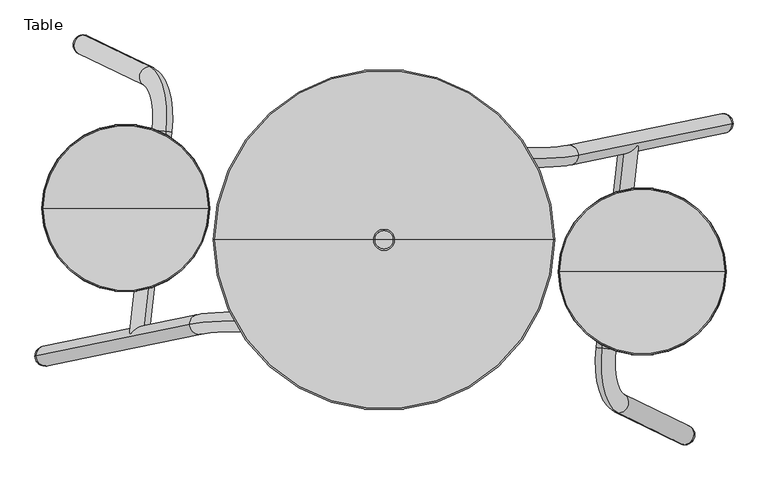
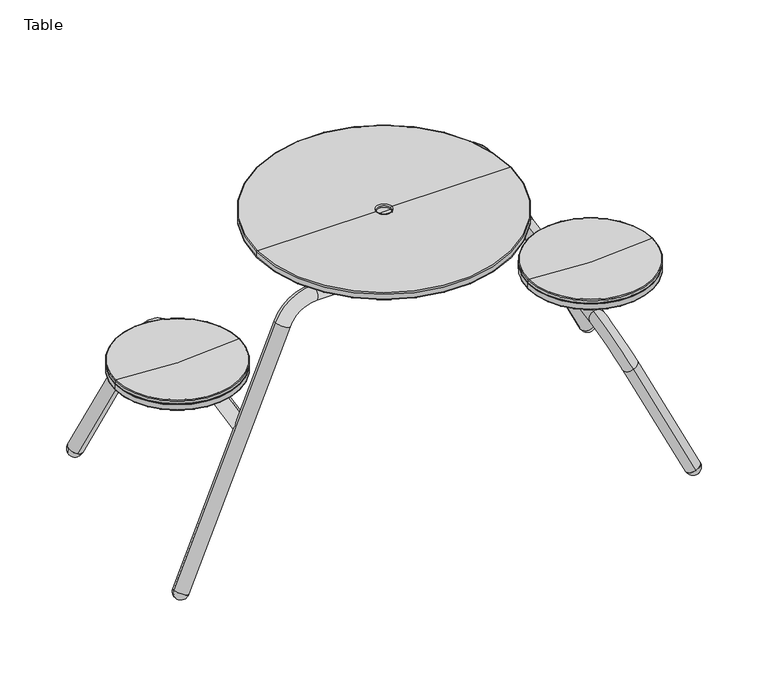
"""IFC4 building model written with IfcOpenShell, lengths in millimetres: furniture geometry, Table."""

from ifc_helpers import new_model, si_unit, point, frame, origin, place, context, project, spatial, polyline, circle_curve, ellipse_curve, trimmed, source, transform, mapped, element, save
from ifc_brep_helpers import plane_surface, cylinder_surface, revolved_surface, advanced_brep


def table_cf706c01(model_context):
    return source(origin(), model_context, "Body", "AdvancedBrep", [
        advanced_brep(
        [(-1066.5718166, 105.0441938, 1.876984), (-1039.4942604, 106.0020003, 10.9080922), (-1075.6535735, 107.8999253, 28.8035295), (-1057.5739169, 106.9509628, 19.8558108)],
        [
            (0, 1, circle_curve(frame((-1057.5739169, 106.9509628, 19.8558108), z_axis=(0.0, -0.9944230273127505, 0.105464888707783), x_axis=(-0.8952561253993916, 0.046990078510258285, 0.44306704058919644)), 20.1949543)),
            (1, 2, circle_curve(frame((-1057.5739169, 106.9509628, 19.8558108), z_axis=(-0.4455518712056628, -0.09441808763020273, -0.8902633064399477), x_axis=(0.8952561253993924, -0.04699007851025788, -0.4430670405891949)), 20.1949543)),
            (2, 0, circle_curve(frame((-1057.5739169, 106.9509628, 19.8558108), z_axis=(0.0, -0.9944230273127508, 0.10546488870777918), x_axis=(0.8952561253993931, -0.04699007851025474, -0.44306704058919366)), 20.1949543)),
            (2, 1, circle_curve(frame((-1057.5739169, 106.9509628, 19.8558108), z_axis=(-0.4455518712056628, -0.09441808763020273, -0.8902633064399477), x_axis=(0.8952561253993924, -0.04699007851025788, -0.4430670405891949)), 20.1949543)),
            (1, 3),
            (3, 2),
        ],
        [
            revolved_surface(trimmed(ellipse_curve(frame((-1057.5739169, 106.9509628, 19.8558108), z_axis=(0.0, 0.9944230273127505, -0.105464888707783), x_axis=(-0.8952561253993916, 0.046990078510258285, 0.44306704058919644)), 20.1949543, 20.1949543), [point((-1039.4942604, 106.0020003, 10.9080922))], [point((-1066.5718166, 105.0441938, 1.876984))], True, "CARTESIAN"), (-1072.1944618, 103.8526841, -9.3577005), (-0.4455518712056627, -0.09441808763020271, -0.8902633064399474)),
            revolved_surface(trimmed(ellipse_curve(frame((-1057.5739169, 106.9509628, 19.8558108), z_axis=(0.0, 0.9944230273127505, -0.1054648887077833), x_axis=(-0.8952561253993916, 0.04699007851025829, 0.44306704058919644)), 20.1949543, 20.1949543), [point((-1039.4942604, 106.0020003, 10.9080922))], [point((-1066.5718166, 105.0441938, 1.876984))], True, "CARTESIAN"), (-1072.1944618, 103.8526841, -9.3577005), (-0.4455518712056627, -0.09441808763020271, -0.8902633064399474)),
            plane_surface(frame((-1057.5739169, 106.9509628, 19.8558108), z_axis=(0.44555187120566275, 0.0944180876302024, 0.8902633064399477), x_axis=(0.8952561253993924, -0.04699007851025788, -0.4430670405891949))),
        ],
        [
            (0, [[1, 2, 3]]),
            (1, [[-3, 4, -1]]),
            (2, [[-2, 5, 6]]),
            (2, [[-4, -6, -5]]),
        ],
    ),
        advanced_brep(
        [(-997.6950419, 744.2561055, 27.6979461), (-960.6642225, 748.0142161, 12.0154801), (-987.2398472, 749.9107834, 1.7290054), (-979.1796322, 746.1351608, 19.8567131)],
        [
            (0, 1, circle_curve(frame((-979.1796322, 746.1351608, 19.8567131), z_axis=(-0.3991202398469257, 0.18695871079278711, -0.8976354909445324), x_axis=(0.9168334533187882, 0.09304577882084127, -0.3882768367018159)), 20.1949543)),
            (1, 2, circle_curve(frame((-979.1796322, 746.1351608, 19.8567131), z_axis=(-0.010929456531689146, 0.9779513911756158, 0.2085464540038981), x_axis=(-0.9168334533187883, -0.09304577882084131, 0.3882768367018157)), 20.1949543)),
            (2, 0, circle_curve(frame((-979.1796322, 746.1351608, 19.8567131), z_axis=(-0.010929456531686492, 0.9779513911756164, 0.20854645400389613), x_axis=(0.9168334533187881, 0.09304577882083823, -0.3882768367018168)), 20.1949543)),
            (1, 0, circle_curve(frame((-979.1796322, 746.1351608, 19.8567131), z_axis=(-0.3991202398469257, 0.18695871079278711, -0.8976354909445324), x_axis=(0.9168334533187882, 0.09304577882084127, -0.3882768367018159)), 20.1949543)),
            (3, 1),
            (0, 3),
        ],
        [
            revolved_surface(trimmed(ellipse_curve(frame((-979.1796322, 746.1351608, 19.8567131), z_axis=(0.010929456531689146, -0.9779513911756158, -0.2085464540038981), x_axis=(-0.9168334533187883, -0.09304577882084131, 0.3882768367018157)), 20.1949543, 20.1949543), [point((-987.2398472, 749.9107834, 1.7290054))], [point((-960.6642225, 748.0142161, 12.0154801))], True, "CARTESIAN"), (-992.2765481, 752.2701103, -9.5987125), (0.3991202398469256, -0.1869587107927871, 0.8976354909445322)),
            revolved_surface(trimmed(ellipse_curve(frame((-979.1796322, 746.1351608, 19.8567131), z_axis=(0.010929456531689112, -0.9779513911756158, -0.20854645400389815), x_axis=(-0.9168334533187883, -0.09304577882084131, 0.3882768367018157)), 20.1949543, 20.1949543), [point((-987.2398472, 749.9107834, 1.7290054))], [point((-960.6642225, 748.0142161, 12.0154801))], True, "CARTESIAN"), (-992.2765481, 752.2701103, -9.5987125), (0.3991202398469256, -0.1869587107927871, 0.8976354909445322)),
            plane_surface(frame((-979.1796322, 746.1351608, 19.8567131), z_axis=(0.39912023984692563, -0.186958710792787, 0.8976354909445323), x_axis=(0.9168334533187882, 0.09304577882084127, -0.3882768367018159))),
        ],
        [
            (0, [[1, 2, 3]]),
            (1, [[4, -3, -2]]),
            (2, [[5, -1, 6]]),
            (2, [[-6, -4, -5]]),
        ],
    ),
        advanced_brep(
        [(-1063.378171, 410.8794098, 439.8157959), (-719.1072969, 410.8794098, 439.8157959), (-719.1072969, 410.8794098, 425.7839326), (-1063.378171, 410.8794098, 425.7839326), (-721.7088565, 410.8794098, 423.182373), (-1060.7766115, 410.8794098, 423.182373), (-891.242734, 410.8794098, 423.182373), (-891.242734, 410.8794098, 442.3648923), (-722.1509836, 410.8794098, 451.8896459), (-1060.3344843, 410.8794098, 451.8896459), (-719.912961, 410.8794098, 449.8903091), (-1062.5725069, 410.8794098, 449.8903091), (-719.912961, 410.8794098, 442.6999095), (-1062.5725069, 410.8794098, 442.6999095), (-719.6670101, 410.8794098, 441.8194553), (-1062.8184578, 410.8794098, 441.8194553)],
        [
            (0, 1, circle_curve(frame((-891.242734, 410.8794098, 439.8157959), z_axis=(0.0, 0.0, -1.0), x_axis=(1.0, 0.0, 0.0)), 172.135437)),
            (1, 2),
            (2, 3, circle_curve(frame((-891.242734, 410.8794098, 425.7839326), z_axis=(0.0, 0.0, 1.0), x_axis=(1.0, 0.0, 0.0)), 172.135437)),
            (3, 0),
            (1, 0, circle_curve(frame((-891.242734, 410.8794098, 439.8157959), z_axis=(0.0, 0.0, -1.0), x_axis=(1.0, 0.0, 0.0)), 172.135437)),
            (3, 2, circle_curve(frame((-891.242734, 410.8794098, 425.7839326), z_axis=(0.0, 0.0, 1.0), x_axis=(1.0, 0.0, 0.0)), 172.135437)),
            (2, 4, circle_curve(frame((-721.7088565, 410.8794098, 425.7839326), z_axis=(0.0, 1.0, 0.0), x_axis=(1.0, 0.0, 0.0)), 2.6015595)),
            (4, 5, circle_curve(frame((-891.242734, 410.8794098, 423.182373), z_axis=(0.0, 0.0, 1.0), x_axis=(1.0, 0.0, 0.0)), 169.5338775)),
            (5, 3, circle_curve(frame((-1060.7766115, 410.8794098, 425.7839326), z_axis=(0.0, 1.0, 0.0), x_axis=(-1.0, 0.0, 0.0)), 2.6015595)),
            (5, 4, circle_curve(frame((-891.242734, 410.8794098, 423.182373), z_axis=(0.0, 0.0, 1.0), x_axis=(1.0, 0.0, 0.0)), 169.5338775)),
            (4, 6),
            (6, 5),
            (7, 8, circle_curve(frame((-891.242734, 410.8794098, 1948.0595431), z_axis=(0.0, -1.0, 0.0), x_axis=(1.0, 0.0, 0.0)), 1505.6946508)),
            (8, 9, circle_curve(frame((-891.242734, 410.8794098, 451.8896459), z_axis=(0.0, 0.0, 1.0), x_axis=(1.0, 0.0, 0.0)), 169.0917504)),
            (9, 7, circle_curve(frame((-891.242734, 410.8794098, 1948.0595431), z_axis=(0.0, -1.0, 0.0), x_axis=(-1.0, 0.0, 0.0)), 1505.6946508)),
            (9, 8, circle_curve(frame((-891.242734, 410.8794098, 451.8896459), z_axis=(0.0, 0.0, 1.0), x_axis=(1.0, 0.0, 0.0)), 169.0917504)),
            (8, 10, circle_curve(frame((-721.9250257, 410.8794098, 449.8903091), z_axis=(0.0, 1.0, 0.0), x_axis=(1.0, 0.0, 0.0)), 2.0120647)),
            (10, 11, circle_curve(frame((-891.242734, 410.8794098, 449.8903091), z_axis=(0.0, 0.0, 1.0), x_axis=(1.0, 0.0, 0.0)), 171.3297729)),
            (11, 9, circle_curve(frame((-1060.5604422, 410.8794098, 449.8903091), z_axis=(0.0, 1.0, 0.0), x_axis=(-1.0, 0.0, 0.0)), 2.0120647)),
            (11, 10, circle_curve(frame((-891.242734, 410.8794098, 449.8903091), z_axis=(0.0, 0.0, 1.0), x_axis=(1.0, 0.0, 0.0)), 171.3297729)),
            (10, 12),
            (12, 13, circle_curve(frame((-891.242734, 410.8794098, 442.6999095), z_axis=(0.0, 0.0, 1.0), x_axis=(1.0, 0.0, 0.0)), 171.3297729)),
            (13, 11),
            (13, 12, circle_curve(frame((-891.242734, 410.8794098, 442.6999095), z_axis=(0.0, 0.0, 1.0), x_axis=(1.0, 0.0, 0.0)), 171.3297729)),
            (12, 14, circle_curve(frame((-718.2140619, 410.8794098, 442.6999095), z_axis=(0.0, -1.0, 0.0), x_axis=(1.0, 0.0, 0.0)), 1.6988991)),
            (14, 15, circle_curve(frame((-891.242734, 410.8794098, 441.8194553), z_axis=(0.0, 0.0, 1.0), x_axis=(1.0, 0.0, 0.0)), 171.5757238)),
            (15, 13, circle_curve(frame((-1064.271406, 410.8794098, 442.6999095), z_axis=(0.0, -1.0, 0.0), x_axis=(-1.0, 0.0, 0.0)), 1.6988991)),
            (15, 14, circle_curve(frame((-891.242734, 410.8794098, 441.8194553), z_axis=(0.0, 0.0, 1.0), x_axis=(1.0, 0.0, 0.0)), 171.5757238)),
            (14, 1, circle_curve(frame((-722.9735003, 410.8794098, 439.8157959), z_axis=(0.0, 1.0, 0.0), x_axis=(1.0, 0.0, 0.0)), 3.8662034)),
            (0, 15, circle_curve(frame((-1059.5119676, 410.8794098, 439.8157959), z_axis=(0.0, 1.0, 0.0), x_axis=(-1.0, 0.0, 0.0)), 3.8662034)),
        ],
        [
            cylinder_surface(frame((-891.242734, 410.8794098, 412.0413978), z_axis=(0.0, 0.0, 1.0), x_axis=(1.0, 0.0, 0.0)), 172.135437),
            revolved_surface(trimmed(ellipse_curve(frame((-721.7088565, 410.8794098, 425.7839326), z_axis=(0.0, -1.0, 0.0), x_axis=(1.0, 0.0, 0.0)), 2.6015595, 2.6015595), [point((-721.7088565, 410.8794098, 423.182373))], [point((-719.1072969, 410.8794098, 425.7839326))], True, "CARTESIAN"), (-891.242734, 410.8794098, 412.0413978), (0.0, 0.0, 1.0)),
            plane_surface(frame((-891.242734, 410.8794098, 423.182373), z_axis=(0.0, 0.0, -1.0), x_axis=(1.0, 0.0, 0.0))),
            revolved_surface(trimmed(ellipse_curve(frame((-891.242734, 410.8794098, 1948.0595431), z_axis=(0.0, 1.0, 0.0), x_axis=(1.0, 0.0, 0.0)), 1505.6946508, 1505.6946508), [point((-722.1509836, 410.8794098, 451.8896459))], [point((-891.242734, 410.8794098, 442.3648923))], True, "CARTESIAN"), (-891.242734, 410.8794098, 412.0413978), (0.0, 0.0, 1.0)),
            revolved_surface(trimmed(ellipse_curve(frame((-721.9250257, 410.8794098, 449.8903091), z_axis=(0.0, -1.0, 0.0), x_axis=(1.0, 0.0, 0.0)), 2.0120647, 2.0120647), [point((-719.912961, 410.8794098, 449.8903091))], [point((-722.1509836, 410.8794098, 451.8896459))], True, "CARTESIAN"), (-891.242734, 410.8794098, 412.0413978), (0.0, 0.0, 1.0)),
            cylinder_surface(frame((-891.242734, 410.8794098, 412.0413978), z_axis=(0.0, 0.0, 1.0), x_axis=(1.0, 0.0, 0.0)), 171.3297729),
            revolved_surface(trimmed(ellipse_curve(frame((-718.2140619, 410.8794098, 442.6999095), z_axis=(0.0, 1.0, 0.0), x_axis=(1.0, 0.0, 0.0)), 1.6988991, 1.6988991), [point((-719.6670101, 410.8794098, 441.8194553))], [point((-719.912961, 410.8794098, 442.6999095))], True, "CARTESIAN"), (-891.242734, 410.8794098, 412.0413978), (0.0, 0.0, 1.0)),
            revolved_surface(trimmed(ellipse_curve(frame((-722.9735003, 410.8794098, 439.8157959), z_axis=(0.0, -1.0, 0.0), x_axis=(1.0, 0.0, 0.0)), 3.8662034, 3.8662034), [point((-719.1072969, 410.8794098, 439.8157959))], [point((-719.6670101, 410.8794098, 441.8194553))], True, "CARTESIAN"), (-891.242734, 410.8794098, 412.0413978), (0.0, 0.0, 1.0)),
        ],
        [
            (0, [[1, 2, 3, 4]]),
            (0, [[5, -4, 6, -2]]),
            (1, [[-3, 7, 8, 9]]),
            (1, [[-6, -9, 10, -7]]),
            (2, [[-8, 11, 12]]),
            (2, [[-10, -12, -11]]),
            (3, [[13, 14, 15]]),
            (3, [[-15, 16, -13]]),
            (4, [[-14, 17, 18, 19]]),
            (4, [[-16, -19, 20, -17]]),
            (5, [[-18, 21, 22, 23]]),
            (5, [[-20, -23, 24, -21]]),
            (6, [[-22, 25, 26, 27]]),
            (6, [[-24, -27, 28, -25]]),
            (7, [[-26, 29, -1, 30]]),
            (7, [[-28, -30, -5, -29]]),
        ],
    ),
        advanced_brep(
        [(-872.5750862, 147.558632, 384.7968299), (-855.4750322, 145.4689563, 421.604859), (-825.4687613, 569.9222184, 386.8909989), (-808.3687073, 567.8325427, 423.699028), (-840.8302674, 700.938873, 323.8712634), (-847.7463025, 661.2697, 318.3817487), (-982.5443542, 726.4876022, 16.9211893), (-975.6283191, 766.1567752, 22.410704)],
        [
            (0, 1, circle_curve(frame((-864.0250592, 146.5137942, 403.2008445), z_axis=(-0.11084166693181488, -0.9938258618178737, -0.004927601215348603), x_axis=(0.42076904463546744, -0.05141918609532065, 0.9057093785414011)), 20.32)),
            (1, 0, circle_curve(frame((-864.0250592, 146.5137942, 403.2008445), z_axis=(-0.11084166693181488, -0.9938258618178737, -0.004927601215348603), x_axis=(0.42076904463546744, -0.05141918609532065, 0.9057093785414011)), 20.32)),
            (0, 2),
            (2, 3, circle_curve(frame((-816.9187343, 568.8773805, 405.2950135), z_axis=(-0.11084166693181488, -0.9938258618178737, -0.004927601215348603), x_axis=(0.42076904463546744, -0.05141918609532065, 0.9057093785414011)), 20.32)),
            (3, 1),
            (3, 2, circle_curve(frame((-816.9187343, 568.8773805, 405.2950135), z_axis=(-0.11084166693181488, -0.9938258618178737, -0.004927601215348603), x_axis=(0.42076904463546744, -0.05141918609532065, 0.9057093785414011)), 20.32)),
            (4, 3, circle_curve(frame((-862.8751293, 574.493384, 306.3734351), z_axis=(0.9003707769293342, -0.0983169552175802, -0.42387054671020913), x_axis=(0.42076904463546655, -0.051419186095327515, 0.905709378541401)), 129.54)),
            (2, 5, circle_curve(frame((-862.8751293, 574.493384, 306.3734351), z_axis=(-0.9003707769293342, 0.0983169552175802, 0.42387054671020913), x_axis=(0.42076904463546655, -0.051419186095327515, 0.905709378541401)), 88.9)),
            (5, 4, circle_curve(frame((-844.2882849, 681.1042865, 321.126506), z_axis=(0.4004646079752769, -0.19375251601830237, 0.8955936915229947), x_axis=(0.1701780297537703, 0.9761115401701396, 0.1350766424508809)), 20.32)),
            (4, 5, circle_curve(frame((-844.2882849, 681.1042865, 321.126506), z_axis=(0.4004646079752765, -0.19375251601830457, 0.8955936915229944), x_axis=(0.1701780297537712, 0.9761115401701391, 0.13507664245088288)), 20.32)),
            (6, 7, circle_curve(frame((-979.0863366, 746.3221887, 19.6659466), z_axis=(-0.40046460797527617, 0.19375251601830187, -0.8955936915229954), x_axis=(0.17017802975377005, 0.9761115401701397, 0.13507664245088058)), 20.32)),
            (7, 6, circle_curve(frame((-979.0863366, 746.3221887, 19.6659466), z_axis=(-0.40046460797527617, 0.19375251601830187, -0.8955936915229954), x_axis=(0.17017802975377005, 0.9761115401701397, 0.13507664245088058)), 20.32)),
            (5, 6),
            (7, 4),
        ],
        [
            plane_surface(frame((-872.5750862, 147.558632, 384.7968299), z_axis=(-0.11084166693181488, -0.9938258618178738, -0.004927601215348604), x_axis=(0.9003707769293343, -0.09831695521758023, -0.42387054671020896))),
            cylinder_surface(frame((-864.0250592, 146.5137942, 403.2008445), z_axis=(-0.11084166693181491, -0.9938258618178739, -0.004927601215348604), x_axis=(0.42076904463546744, -0.05141918609532065, 0.9057093785414011)), 20.32),
            revolved_surface(trimmed(ellipse_curve(frame((-816.9187343, 568.8773805, 405.2950135), z_axis=(-0.11084166693181785, -0.9938258618178732, -0.004927601215354833), x_axis=(0.4207690446354668, -0.051419186095327536, 0.9057093785414009)), 20.32, 20.32), [point((-825.4687613, 569.9222184, 386.8909989))], [point((-808.3687073, 567.8325427, 423.699028))], True, "CARTESIAN"), (-862.8751293, 574.493384, 306.3734351), (-0.9003707769293342, 0.0983169552175802, 0.42387054671020913)),
            revolved_surface(trimmed(ellipse_curve(frame((-816.9187343, 568.8773805, 405.2950135), z_axis=(-0.11084166693181785, -0.9938258618178732, -0.004927601215354833), x_axis=(0.4207690446354668, -0.051419186095327536, 0.9057093785414009)), 20.32, 20.32), [point((-808.3687073, 567.8325427, 423.699028))], [point((-825.4687613, 569.9222184, 386.8909989))], True, "CARTESIAN"), (-862.8751293, 574.493384, 306.3734351), (-0.9003707769293342, 0.0983169552175802, 0.42387054671020913)),
            plane_surface(frame((-982.5443542, 726.4876022, 16.9211893), z_axis=(-0.40046460797527617, 0.1937525160183019, -0.8955936915229954), x_axis=(0.9003707769293345, -0.09831695521758024, -0.42387054671020824))),
            cylinder_surface(frame((-844.2882849, 681.1042865, 321.126506), z_axis=(0.40046460797527617, -0.19375251601830187, 0.8955936915229954), x_axis=(0.17017802975377005, 0.9761115401701397, 0.13507664245088058)), 20.32),
        ],
        [
            (0, [[1, 2]]),
            (1, [[-1, 3, 4, 5]]),
            (1, [[-2, -5, 6, -3]]),
            (2, [[7, -4, 8, 9]]),
            (3, [[-8, -6, -7, 10]]),
            (4, [[11, 12]]),
            (5, [[-9, 13, -12, 14]]),
            (5, [[-10, -14, -11, -13]]),
        ],
    ),
        advanced_brep(
        [(-333.6436739, 175.4512712, 683.5282713), (-333.6436739, 179.6235474, 723.9535321), (-650.8437047, 175.4512712, 683.5282713), (-650.8437047, 179.6235474, 723.9535321), (-759.878108, 172.7073211, 656.9420893), (-723.5333069, 170.8404536, 638.8539761), (-1039.4005098, 106.0259718, 10.8652804), (-1075.7453109, 107.8928393, 28.9533936)],
        [
            (0, 1, circle_curve(frame((-333.6436739, 177.5374093, 703.7409017), z_axis=(1.0, 0.0, 0.0), x_axis=(0.0, 0.10266427821457129, 0.9947160629941999)), 20.32)),
            (1, 0, circle_curve(frame((-333.6436739, 177.5374093, 703.7409017), z_axis=(1.0, 0.0, 0.0), x_axis=(0.0, 0.10266427821457129, 0.9947160629941999)), 20.32)),
            (0, 2),
            (2, 3, circle_curve(frame((-650.8437047, 177.5374093, 703.7409017), z_axis=(1.0, 0.0, 0.0), x_axis=(0.0, 0.10266427821457129, 0.9947160629941999)), 20.32)),
            (3, 1),
            (3, 2, circle_curve(frame((-650.8437047, 177.5374093, 703.7409017), z_axis=(1.0, 0.0, 0.0), x_axis=(0.0, 0.10266427821457129, 0.9947160629941999)), 20.32)),
            (4, 3, circle_curve(frame((-650.8437047, 167.1067186, 602.6777497), z_axis=(0.0, 0.9947160629941999, -0.1026642782145713), x_axis=(0.0, 0.1026642782145713, 0.9947160629941999)), 121.92)),
            (2, 5, circle_curve(frame((-650.8437047, 167.1067186, 602.6777497), z_axis=(0.0, -0.9947160629941999, 0.1026642782145713), x_axis=(0.0, 0.1026642782145713, 0.9947160629941999)), 81.28)),
            (5, 4, circle_curve(frame((-741.7057074, 171.7738874, 647.8980327), z_axis=(0.4474458009533829, 0.0918137985082334, 0.8895855673360912), x_axis=(-0.8943110505910042, 0.045936700195033785, 0.44508152552763397)), 20.32)),
            (4, 5, circle_curve(frame((-741.7057074, 171.7738874, 647.8980327), z_axis=(0.4474458009533829, 0.0918137985082334, 0.8895855673360912), x_axis=(-0.8943110505910042, 0.045936700195033785, 0.44508152552763397)), 20.32)),
            (6, 7, circle_curve(frame((-1057.5729104, 106.9594056, 19.909337), z_axis=(-0.44744580095338377, -0.09181379850823335, -0.8895855673360908), x_axis=(-0.8943110505910038, 0.04593670019503388, 0.44508152552763486)), 20.32)),
            (7, 6, circle_curve(frame((-1057.5729104, 106.9594056, 19.909337), z_axis=(-0.44744580095338377, -0.09181379850823335, -0.8895855673360908), x_axis=(-0.8943110505910038, 0.04593670019503388, 0.44508152552763486)), 20.32)),
            (5, 6),
            (7, 4),
        ],
        [
            plane_surface(frame((-333.6436739, 175.4512712, 683.5282713), z_axis=(1.0, 0.0, 0.0), x_axis=(0.0, 0.9947160629941999, -0.10266427821457128))),
            cylinder_surface(frame((-333.6436739, 177.5374093, 703.7409017), z_axis=(1.0, 0.0, 0.0), x_axis=(0.0, 0.10266427821457129, 0.9947160629941999)), 20.32),
            revolved_surface(trimmed(ellipse_curve(frame((-650.8437047, 177.5374093, 703.7409017), z_axis=(1.0, 0.0, 0.0), x_axis=(0.0, 0.10266427821457129, 0.9947160629941999)), 20.32, 20.32), [point((-650.8437047, 175.4512712, 683.5282713))], [point((-650.8437047, 179.6235474, 723.9535321))], True, "CARTESIAN"), (-650.8437047, 167.1067186, 602.6777497), (0.0, -0.9947160629941999, 0.1026642782145713)),
            revolved_surface(trimmed(ellipse_curve(frame((-650.8437047, 177.5374093, 703.7409017), z_axis=(1.0, 0.0, 0.0), x_axis=(0.0, 0.10266427821457129, 0.9947160629941999)), 20.32, 20.32), [point((-650.8437047, 179.6235474, 723.9535321))], [point((-650.8437047, 175.4512712, 683.5282713))], True, "CARTESIAN"), (-650.8437047, 167.1067186, 602.6777497), (0.0, -0.9947160629941999, 0.1026642782145713)),
            plane_surface(frame((-1039.4005098, 106.0259718, 10.8652804), z_axis=(-0.44744580095338365, -0.09181379850823333, -0.889585567336091), x_axis=(0.0, 0.9947160629941999, -0.10266427821457125))),
            cylinder_surface(frame((-741.7057074, 171.7738874, 647.8980327), z_axis=(0.44744580095338377, 0.09181379850823335, 0.8895855673360908), x_axis=(-0.8943110505910038, 0.04593670019503388, 0.44508152552763486)), 20.32),
        ],
        [
            (0, [[1, 2]]),
            (1, [[-1, 3, 4, 5]]),
            (1, [[-2, -5, 6, -3]]),
            (2, [[7, -4, 8, 9]]),
            (3, [[-8, -6, -7, 10]]),
            (4, [[11, 12]]),
            (5, [[-9, 13, -12, 14]]),
            (5, [[-10, -14, -11, -13]]),
        ],
    ),
        advanced_brep(
        [(344.3040001, 586.5396258, 1.876984), (317.2264438, 585.5818193, 10.9080922), (353.3857569, 583.6838944, 28.8035295), (335.3061004, 584.6328569, 19.8558108)],
        [
            (0, 1, circle_curve(frame((335.3061004, 584.6328569, 19.8558108), z_axis=(0.0, 0.9944230273127505, 0.105464888707783), x_axis=(0.8952561253993921, -0.046990078510252525, 0.4430670405891963)), 20.1949543)),
            (1, 2, circle_curve(frame((335.3061004, 584.6328569, 19.8558108), z_axis=(0.4455518712056622, 0.09441808763020557, -0.8902633064399476), x_axis=(-0.8952561253993928, 0.046990078510252165, -0.443067040589195)), 20.1949543)),
            (2, 0, circle_curve(frame((335.3061004, 584.6328569, 19.8558108), z_axis=(0.0, 0.9944230273127508, 0.10546488870777913), x_axis=(-0.8952561253993935, 0.046990078510249035, -0.443067040589194)), 20.1949543)),
            (2, 1, circle_curve(frame((335.3061004, 584.6328569, 19.8558108), z_axis=(0.4455518712056622, 0.09441808763020557, -0.8902633064399476), x_axis=(-0.8952561253993928, 0.046990078510252165, -0.443067040589195)), 20.1949543)),
            (1, 3),
            (3, 2),
        ],
        [
            revolved_surface(trimmed(ellipse_curve(frame((335.3061004, 584.6328569, 19.8558108), z_axis=(0.0, -0.9944230273127505, -0.105464888707783), x_axis=(0.8952561253993921, -0.046990078510252525, 0.4430670405891963)), 20.1949543, 20.1949543), [point((317.2264438, 585.5818193, 10.9080922))], [point((344.3040001, 586.5396258, 1.876984))], True, "CARTESIAN"), (349.9266453, 587.7311356, -9.3577005), (0.4455518712056622, 0.09441808763020557, -0.8902633064399476)),
            revolved_surface(trimmed(ellipse_curve(frame((335.3061004, 584.6328569, 19.8558108), z_axis=(0.0, -0.9944230273127505, -0.10546488870778331), x_axis=(0.8952561253993921, -0.046990078510252525, 0.4430670405891963)), 20.1949543, 20.1949543), [point((317.2264438, 585.5818193, 10.9080922))], [point((344.3040001, 586.5396258, 1.876984))], True, "CARTESIAN"), (349.9266453, 587.7311356, -9.3577005), (0.4455518712056622, 0.09441808763020557, -0.8902633064399476)),
            plane_surface(frame((335.3061004, 584.6328569, 19.8558108), z_axis=(-0.4455518712056622, -0.09441808763020525, 0.8902633064399477), x_axis=(-0.8952561253993927, 0.04699007851025216, -0.44306704058919494))),
        ],
        [
            (0, [[1, 2, 3]]),
            (1, [[-3, 4, -1]]),
            (2, [[-2, 5, 6]]),
            (2, [[-4, -6, -5]]),
        ],
    ),
        advanced_brep(
        [(275.4272253, -52.6722859, 27.6979461), (238.3964059, -56.4303964, 12.0154801), (264.9720307, -58.3269638, 1.7290054), (256.9118156, -54.5513412, 19.8567131)],
        [
            (0, 1, circle_curve(frame((256.9118156, -54.5513412, 19.8567131), z_axis=(0.3991202398469268, -0.18695871079278456, -0.8976354909445324), x_axis=(-0.9168334533187877, -0.09304577882084715, -0.3882768367018159)), 20.1949543)),
            (1, 2, circle_curve(frame((256.9118156, -54.5513412, 19.8567131), z_axis=(0.010929456531695572, -0.9779513911756157, 0.20854645400389782), x_axis=(0.9168334533187878, 0.09304577882084722, 0.3882768367018157)), 20.1949543)),
            (2, 0, circle_curve(frame((256.9118156, -54.5513412, 19.8567131), z_axis=(0.010929456531692609, -0.977951391175616, 0.20854645400389654), x_axis=(-0.9168334533187876, -0.09304577882084414, -0.3882768367018168)), 20.1949543)),
            (1, 0, circle_curve(frame((256.9118156, -54.5513412, 19.8567131), z_axis=(0.3991202398469268, -0.18695871079278456, -0.8976354909445324), x_axis=(-0.9168334533187877, -0.09304577882084715, -0.3882768367018159)), 20.1949543)),
            (3, 1),
            (0, 3),
        ],
        [
            revolved_surface(trimmed(ellipse_curve(frame((256.9118156, -54.5513412, 19.8567131), z_axis=(-0.010929456531695572, 0.9779513911756157, -0.20854645400389782), x_axis=(0.9168334533187878, 0.09304577882084722, 0.3882768367018157)), 20.1949543, 20.1949543), [point((264.9720307, -58.3269638, 1.7290054))], [point((238.3964059, -56.4303964, 12.0154801))], True, "CARTESIAN"), (270.0087315, -60.6862906, -9.5987125), (-0.3991202398469268, 0.18695871079278456, 0.8976354909445324)),
            revolved_surface(trimmed(ellipse_curve(frame((256.9118156, -54.5513412, 19.8567131), z_axis=(-0.010929456531695596, 0.9779513911756157, -0.20854645400389782), x_axis=(0.9168334533187878, 0.09304577882084725, 0.3882768367018156)), 20.1949543, 20.1949543), [point((264.9720307, -58.3269638, 1.7290054))], [point((238.3964059, -56.4303964, 12.0154801))], True, "CARTESIAN"), (270.0087315, -60.6862906, -9.5987125), (-0.3991202398469268, 0.18695871079278456, 0.8976354909445324)),
            plane_surface(frame((256.9118156, -54.5513412, 19.8567131), z_axis=(-0.39912023984692685, 0.1869587107927846, 0.8976354909445324), x_axis=(-0.9168334533187876, -0.09304577882084715, -0.38827683670181584))),
        ],
        [
            (0, [[1, 2, 3]]),
            (1, [[4, -3, -2]]),
            (2, [[5, -1, 6]]),
            (2, [[-6, -4, -5]]),
        ],
    ),
        advanced_brep(
        [(341.1103544, 280.7044098, 439.8157959), (-3.1605196, 280.7044098, 439.8157959), (-3.1605196, 280.7044098, 425.7839326), (341.1103544, 280.7044098, 425.7839326), (-0.5589601, 280.7044098, 423.182373), (338.5087949, 280.7044098, 423.182373), (168.9749174, 280.7044098, 423.182373), (168.9749174, 280.7044098, 442.3648923), (-0.116833, 280.7044098, 451.8896459), (338.0666678, 280.7044098, 451.8896459), (-2.3548555, 280.7044098, 449.8903091), (340.3046904, 280.7044098, 449.8903091), (-2.3548555, 280.7044098, 442.6999095), (340.3046904, 280.7044098, 442.6999095), (-2.6008064, 280.7044098, 441.8194553), (340.5506413, 280.7044098, 441.8194553)],
        [
            (0, 1, circle_curve(frame((168.9749174, 280.7044098, 439.8157959), z_axis=(0.0, 0.0, -1.0), x_axis=(-1.0, 0.0, 0.0)), 172.135437)),
            (1, 2),
            (2, 3, circle_curve(frame((168.9749174, 280.7044098, 425.7839326), z_axis=(0.0, 0.0, 1.0), x_axis=(-1.0, 0.0, 0.0)), 172.135437)),
            (3, 0),
            (1, 0, circle_curve(frame((168.9749174, 280.7044098, 439.8157959), z_axis=(0.0, 0.0, -1.0), x_axis=(-1.0, 0.0, 0.0)), 172.135437)),
            (3, 2, circle_curve(frame((168.9749174, 280.7044098, 425.7839326), z_axis=(0.0, 0.0, 1.0), x_axis=(-1.0, 0.0, 0.0)), 172.135437)),
            (2, 4, circle_curve(frame((-0.5589601, 280.7044098, 425.7839326), z_axis=(0.0, -1.0, 0.0), x_axis=(-1.0, 0.0, 0.0)), 2.6015595)),
            (4, 5, circle_curve(frame((168.9749174, 280.7044098, 423.182373), z_axis=(0.0, 0.0, 1.0), x_axis=(-1.0, 0.0, 0.0)), 169.5338775)),
            (5, 3, circle_curve(frame((338.5087949, 280.7044098, 425.7839326), z_axis=(0.0, -1.0, 0.0), x_axis=(1.0, 0.0, 0.0)), 2.6015595)),
            (5, 4, circle_curve(frame((168.9749174, 280.7044098, 423.182373), z_axis=(0.0, 0.0, 1.0), x_axis=(-1.0, 0.0, 0.0)), 169.5338775)),
            (4, 6),
            (6, 5),
            (7, 8, circle_curve(frame((168.9749174, 280.7044098, 1948.0595431), z_axis=(0.0, 1.0, 0.0), x_axis=(-1.0, 0.0, 0.0)), 1505.6946508)),
            (8, 9, circle_curve(frame((168.9749174, 280.7044098, 451.8896459), z_axis=(0.0, 0.0, 1.0), x_axis=(-1.0, 0.0, 0.0)), 169.0917504)),
            (9, 7, circle_curve(frame((168.9749174, 280.7044098, 1948.0595431), z_axis=(0.0, 1.0, 0.0), x_axis=(1.0, 0.0, 0.0)), 1505.6946508)),
            (9, 8, circle_curve(frame((168.9749174, 280.7044098, 451.8896459), z_axis=(0.0, 0.0, 1.0), x_axis=(-1.0, 0.0, 0.0)), 169.0917504)),
            (8, 10, circle_curve(frame((-0.3427908, 280.7044098, 449.8903091), z_axis=(0.0, -1.0, 0.0), x_axis=(-1.0, 0.0, 0.0)), 2.0120647)),
            (10, 11, circle_curve(frame((168.9749174, 280.7044098, 449.8903091), z_axis=(0.0, 0.0, 1.0), x_axis=(-1.0, 0.0, 0.0)), 171.3297729)),
            (11, 9, circle_curve(frame((338.2926256, 280.7044098, 449.8903091), z_axis=(0.0, -1.0, 0.0), x_axis=(1.0, 0.0, 0.0)), 2.0120647)),
            (11, 10, circle_curve(frame((168.9749174, 280.7044098, 449.8903091), z_axis=(0.0, 0.0, 1.0), x_axis=(-1.0, 0.0, 0.0)), 171.3297729)),
            (10, 12),
            (12, 13, circle_curve(frame((168.9749174, 280.7044098, 442.6999095), z_axis=(0.0, 0.0, 1.0), x_axis=(-1.0, 0.0, 0.0)), 171.3297729)),
            (13, 11),
            (13, 12, circle_curve(frame((168.9749174, 280.7044098, 442.6999095), z_axis=(0.0, 0.0, 1.0), x_axis=(-1.0, 0.0, 0.0)), 171.3297729)),
            (12, 14, circle_curve(frame((-4.0537546, 280.7044098, 442.6999095), z_axis=(0.0, 1.0, 0.0), x_axis=(-1.0, 0.0, 0.0)), 1.6988991)),
            (14, 15, circle_curve(frame((168.9749174, 280.7044098, 441.8194553), z_axis=(0.0, 0.0, 1.0), x_axis=(-1.0, 0.0, 0.0)), 171.5757238)),
            (15, 13, circle_curve(frame((342.0035894, 280.7044098, 442.6999095), z_axis=(0.0, 1.0, 0.0), x_axis=(1.0, 0.0, 0.0)), 1.6988991)),
            (15, 14, circle_curve(frame((168.9749174, 280.7044098, 441.8194553), z_axis=(0.0, 0.0, 1.0), x_axis=(-1.0, 0.0, 0.0)), 171.5757238)),
            (14, 1, circle_curve(frame((0.7056838, 280.7044098, 439.8157959), z_axis=(0.0, -1.0, 0.0), x_axis=(-1.0, 0.0, 0.0)), 3.8662034)),
            (0, 15, circle_curve(frame((337.2441511, 280.7044098, 439.8157959), z_axis=(0.0, -1.0, 0.0), x_axis=(1.0, 0.0, 0.0)), 3.8662034)),
        ],
        [
            cylinder_surface(frame((168.9749174, 280.7044098, 412.0413978), z_axis=(0.0, 0.0, 1.0), x_axis=(-1.0, 0.0, 0.0)), 172.135437),
            revolved_surface(trimmed(ellipse_curve(frame((-0.5589601, 280.7044098, 425.7839326), z_axis=(0.0, 1.0, 0.0), x_axis=(-1.0, 0.0, 0.0)), 2.6015595, 2.6015595), [point((-0.5589601, 280.7044098, 423.182373))], [point((-3.1605196, 280.7044098, 425.7839326))], True, "CARTESIAN"), (168.9749174, 280.7044098, 412.0413978), (0.0, 0.0, 1.0)),
            plane_surface(frame((168.9749174, 280.7044098, 423.182373), z_axis=(0.0, 0.0, -1.0), x_axis=(-1.0, 0.0, 0.0))),
            revolved_surface(trimmed(ellipse_curve(frame((168.9749174, 280.7044098, 1948.0595431), z_axis=(0.0, -1.0, 0.0), x_axis=(-1.0, 0.0, 0.0)), 1505.6946508, 1505.6946508), [point((-0.116833, 280.7044098, 451.8896459))], [point((168.9749174, 280.7044098, 442.3648923))], True, "CARTESIAN"), (168.9749174, 280.7044098, 412.0413978), (0.0, 0.0, 1.0)),
            revolved_surface(trimmed(ellipse_curve(frame((-0.3427908, 280.7044098, 449.8903091), z_axis=(0.0, 1.0, 0.0), x_axis=(-1.0, 0.0, 0.0)), 2.0120647, 2.0120647), [point((-2.3548555, 280.7044098, 449.8903091))], [point((-0.116833, 280.7044098, 451.8896459))], True, "CARTESIAN"), (168.9749174, 280.7044098, 412.0413978), (0.0, 0.0, 1.0)),
            cylinder_surface(frame((168.9749174, 280.7044098, 412.0413978), z_axis=(0.0, 0.0, 1.0), x_axis=(-1.0, 0.0, 0.0)), 171.3297729),
            revolved_surface(trimmed(ellipse_curve(frame((-4.0537546, 280.7044098, 442.6999095), z_axis=(0.0, -1.0, 0.0), x_axis=(-1.0, 0.0, 0.0)), 1.6988991, 1.6988991), [point((-2.6008064, 280.7044098, 441.8194553))], [point((-2.3548555, 280.7044098, 442.6999095))], True, "CARTESIAN"), (168.9749174, 280.7044098, 412.0413978), (0.0, 0.0, 1.0)),
            revolved_surface(trimmed(ellipse_curve(frame((0.7056838, 280.7044098, 439.8157959), z_axis=(0.0, 1.0, 0.0), x_axis=(-1.0, 0.0, 0.0)), 3.8662034, 3.8662034), [point((-3.1605196, 280.7044098, 439.8157959))], [point((-2.6008064, 280.7044098, 441.8194553))], True, "CARTESIAN"), (168.9749174, 280.7044098, 412.0413978), (0.0, 0.0, 1.0)),
        ],
        [
            (0, [[1, 2, 3, 4]]),
            (0, [[5, -4, 6, -2]]),
            (1, [[-3, 7, 8, 9]]),
            (1, [[-6, -9, 10, -7]]),
            (2, [[-8, 11, 12]]),
            (2, [[-10, -12, -11]]),
            (3, [[13, 14, 15]]),
            (3, [[-15, 16, -13]]),
            (4, [[-14, 17, 18, 19]]),
            (4, [[-16, -19, 20, -17]]),
            (5, [[-18, 21, 22, 23]]),
            (5, [[-20, -23, 24, -21]]),
            (6, [[-22, 25, 26, 27]]),
            (6, [[-24, -27, 28, -25]]),
            (7, [[-26, 29, -1, 30]]),
            (7, [[-28, -30, -5, -29]]),
        ],
    ),
        advanced_brep(
        [(-338.9289258, 345.7919098, 742.453186), (-383.3388907, 345.7919098, 742.453186), (-708.2428907, 345.7919098, 742.453186), (-14.0249258, 345.7919098, 742.453186), (-341.9769258, 345.7919098, 739.405186), (-380.2908907, 345.7919098, 739.405186), (-341.9769258, 345.7919098, 734.453186), (-380.2908907, 345.7919098, 734.453186), (-361.1339083, 345.7919098, 734.453186), (-14.1324908, 345.7919098, 722.5291748), (-708.1353258, 345.7919098, 722.5291748), (-361.1339083, 345.7919098, 722.5291748), (-10.9769258, 345.7919098, 725.6847397), (-711.2908907, 345.7919098, 725.6847397), (-10.9769258, 345.7919098, 739.405186), (-711.2908907, 345.7919098, 739.405186)],
        [
            (0, 1, circle_curve(frame((-361.1339083, 345.7919098, 742.453186), z_axis=(0.0, 0.0, -1.0), x_axis=(-1.0, 0.0, 0.0)), 22.2049824)),
            (1, 2),
            (2, 3, circle_curve(frame((-361.1339083, 345.7919098, 742.453186), z_axis=(0.0, 0.0, 1.0), x_axis=(-1.0, 0.0, 0.0)), 347.1089824)),
            (3, 0),
            (1, 0, circle_curve(frame((-361.1339083, 345.7919098, 742.453186), z_axis=(0.0, 0.0, -1.0), x_axis=(-1.0, 0.0, 0.0)), 22.2049824)),
            (3, 2, circle_curve(frame((-361.1339083, 345.7919098, 742.453186), z_axis=(0.0, 0.0, 1.0), x_axis=(-1.0, 0.0, 0.0)), 347.1089824)),
            (4, 5, circle_curve(frame((-361.1339083, 345.7919098, 739.405186), z_axis=(0.0, 0.0, -1.0), x_axis=(-1.0, 0.0, 0.0)), 19.1569824)),
            (5, 1, circle_curve(frame((-383.3388907, 345.7919098, 739.405186), z_axis=(0.0, -1.0, 0.0), x_axis=(-1.0, 0.0, 0.0)), 3.048)),
            (0, 4, circle_curve(frame((-338.9289258, 345.7919098, 739.405186), z_axis=(0.0, -1.0, 0.0), x_axis=(1.0, 0.0, 0.0)), 3.048)),
            (5, 4, circle_curve(frame((-361.1339083, 345.7919098, 739.405186), z_axis=(0.0, 0.0, -1.0), x_axis=(-1.0, 0.0, 0.0)), 19.1569824)),
            (6, 7, circle_curve(frame((-361.1339083, 345.7919098, 734.453186), z_axis=(0.0, 0.0, -1.0), x_axis=(-1.0, 0.0, 0.0)), 19.1569824)),
            (7, 5),
            (4, 6),
            (7, 6, circle_curve(frame((-361.1339083, 345.7919098, 734.453186), z_axis=(0.0, 0.0, -1.0), x_axis=(-1.0, 0.0, 0.0)), 19.1569824)),
            (8, 7),
            (6, 8),
            (9, 10, circle_curve(frame((-361.1339083, 345.7919098, 722.5291748), z_axis=(0.0, 0.0, -1.0), x_axis=(-1.0, 0.0, 0.0)), 347.0014175)),
            (10, 11),
            (11, 9),
            (10, 9, circle_curve(frame((-361.1339083, 345.7919098, 722.5291748), z_axis=(0.0, 0.0, -1.0), x_axis=(-1.0, 0.0, 0.0)), 347.0014175)),
            (12, 13, circle_curve(frame((-361.1339083, 345.7919098, 725.6847397), z_axis=(0.0, 0.0, -1.0), x_axis=(-1.0, 0.0, 0.0)), 350.1569824)),
            (13, 10, circle_curve(frame((-708.1353258, 345.7919098, 725.6847397), z_axis=(0.0, -1.0, 0.0), x_axis=(-1.0, 0.0, 0.0)), 3.1555649)),
            (9, 12, circle_curve(frame((-14.1324908, 345.7919098, 725.6847397), z_axis=(0.0, -1.0, 0.0), x_axis=(1.0, 0.0, 0.0)), 3.1555649)),
            (13, 12, circle_curve(frame((-361.1339083, 345.7919098, 725.6847397), z_axis=(0.0, 0.0, -1.0), x_axis=(-1.0, 0.0, 0.0)), 350.1569824)),
            (14, 15, circle_curve(frame((-361.1339083, 345.7919098, 739.405186), z_axis=(0.0, 0.0, -1.0), x_axis=(-1.0, 0.0, 0.0)), 350.1569824)),
            (15, 13),
            (12, 14),
            (15, 14, circle_curve(frame((-361.1339083, 345.7919098, 739.405186), z_axis=(0.0, 0.0, -1.0), x_axis=(-1.0, 0.0, 0.0)), 350.1569824)),
            (2, 15, circle_curve(frame((-708.2428907, 345.7919098, 739.405186), z_axis=(0.0, -1.0, 0.0), x_axis=(-1.0, 0.0, 0.0)), 3.048)),
            (14, 3, circle_curve(frame((-14.0249258, 345.7919098, 739.405186), z_axis=(0.0, -1.0, 0.0), x_axis=(1.0, 0.0, 0.0)), 3.048)),
        ],
        [
            plane_surface(frame((-361.1339083, 345.7919098, 742.453186), z_axis=(0.0, 0.0, 1.0), x_axis=(-1.0, 0.0, 0.0))),
            revolved_surface(trimmed(ellipse_curve(frame((-383.3388907, 345.7919098, 739.405186), z_axis=(0.0, 1.0, 0.0), x_axis=(-1.0, 0.0, 0.0)), 3.048, 3.048), [point((-383.3388907, 345.7919098, 742.453186))], [point((-380.2908907, 345.7919098, 739.405186))], True, "CARTESIAN"), (-361.1339083, 345.7919098, 1093.516423), (0.0, 0.0, 1.0)),
            revolved_surface(polyline([(-380.2908907, 345.7919098, 739.405186), (-380.2908907, 345.7919098, 734.453186)]), (-361.1339083, 345.7919098, 1093.516423), (0.0, 0.0, 1.0)),
            plane_surface(frame((-361.1339083, 345.7919098, 734.453186), z_axis=(0.0, 0.0, 1.0), x_axis=(-1.0, 0.0, 0.0))),
            plane_surface(frame((-361.1339083, 345.7919098, 722.5291748), z_axis=(0.0, 0.0, -1.0), x_axis=(-1.0, 0.0, 0.0))),
            revolved_surface(trimmed(ellipse_curve(frame((-708.1353258, 345.7919098, 725.6847397), z_axis=(0.0, 1.0, 0.0), x_axis=(-1.0, 0.0, 0.0)), 3.1555649, 3.1555649), [point((-708.1353258, 345.7919098, 722.5291748))], [point((-711.2908907, 345.7919098, 725.6847397))], True, "CARTESIAN"), (-361.1339083, 345.7919098, 1093.516423), (0.0, 0.0, 1.0)),
            cylinder_surface(frame((-361.1339083, 345.7919098, 1093.516423), z_axis=(0.0, 0.0, 1.0), x_axis=(-1.0, 0.0, 0.0)), 350.1569824),
            revolved_surface(trimmed(ellipse_curve(frame((-708.2428907, 345.7919098, 739.405186), z_axis=(0.0, 1.0, 0.0), x_axis=(-1.0, 0.0, 0.0)), 3.048, 3.048), [point((-711.2908907, 345.7919098, 739.405186))], [point((-708.2428907, 345.7919098, 742.453186))], True, "CARTESIAN"), (-361.1339083, 345.7919098, 1093.516423), (0.0, 0.0, 1.0)),
        ],
        [
            (0, [[1, 2, 3, 4]]),
            (0, [[5, -4, 6, -2]]),
            (1, [[7, 8, -1, 9]]),
            (1, [[10, -9, -5, -8]]),
            (2, [[11, 12, -7, 13]]),
            (2, [[14, -13, -10, -12]]),
            (3, [[15, -11, 16]]),
            (3, [[-16, -14, -15]]),
            (4, [[17, 18, 19]]),
            (4, [[20, -19, -18]]),
            (5, [[21, 22, -17, 23]]),
            (5, [[24, -23, -20, -22]]),
            (6, [[25, 26, -21, 27]]),
            (6, [[28, -27, -24, -26]]),
            (7, [[-3, 29, -25, 30]]),
            (7, [[-6, -30, -28, -29]]),
        ],
    ),
        advanced_brep(
        [(150.3072697, 544.0251876, 384.7968299), (133.2072157, 546.1148634, 421.604859), (103.2009447, 121.6616013, 386.8909989), (86.1008908, 123.751277, 423.699028), (118.5624508, -9.3550533, 323.8712634), (125.478486, 30.3141197, 318.3817487), (260.2765377, -34.9037826, 16.9211893), (253.3605025, -74.5729556, 22.410704)],
        [
            (0, 1, circle_curve(frame((141.7572427, 545.0700255, 403.2008445), z_axis=(0.11084166693180852, 0.9938258618178744, -0.004927601215348604), x_axis=(-0.42076904463546777, 0.05141918609531796, 0.9057093785414011)), 20.32)),
            (1, 0, circle_curve(frame((141.7572427, 545.0700255, 403.2008445), z_axis=(0.11084166693180852, 0.9938258618178744, -0.004927601215348604), x_axis=(-0.42076904463546777, 0.05141918609531796, 0.9057093785414011)), 20.32)),
            (0, 2),
            (2, 3, circle_curve(frame((94.6509177, 122.7064391, 405.2950135), z_axis=(0.11084166693180852, 0.9938258618178744, -0.004927601215348604), x_axis=(-0.42076904463546777, 0.05141918609531796, 0.9057093785414011)), 20.32)),
            (3, 1),
            (3, 2, circle_curve(frame((94.6509177, 122.7064391, 405.2950135), z_axis=(0.11084166693180852, 0.9938258618178744, -0.004927601215348604), x_axis=(-0.42076904463546777, 0.05141918609531796, 0.9057093785414011)), 20.32)),
            (4, 3, circle_curve(frame((140.6073128, 117.0904356, 306.3734351), z_axis=(-0.9003707769293348, 0.09831695521757446, -0.42387054671020913), x_axis=(-0.42076904463546705, 0.05141918609532305, 0.905709378541401)), 129.54)),
            (2, 5, circle_curve(frame((140.6073128, 117.0904356, 306.3734351), z_axis=(0.9003707769293348, -0.09831695521757446, 0.42387054671020913), x_axis=(-0.42076904463546705, 0.05141918609532305, 0.905709378541401)), 88.9)),
            (5, 4, circle_curve(frame((122.0204684, 10.4795332, 321.126506), z_axis=(-0.4004646079752782, 0.19375251601829957, 0.8955936915229947), x_axis=(-0.17017802975376392, -0.9761115401701406, 0.13507664245088072)), 20.32)),
            (4, 5, circle_curve(frame((122.0204684, 10.4795332, 321.126506), z_axis=(-0.40046460797527794, 0.19375251601830132, 0.8955936915229946), x_axis=(-0.17017802975376464, -0.9761115401701402, 0.13507664245088233)), 20.32)),
            (6, 7, circle_curve(frame((256.8185201, -54.7383691, 19.6659466), z_axis=(0.4004646079752775, -0.19375251601829926, -0.8955936915229953), x_axis=(-0.17017802975376373, -0.9761115401701406, 0.13507664245088052)), 20.32)),
            (7, 6, circle_curve(frame((256.8185201, -54.7383691, 19.6659466), z_axis=(0.4004646079752775, -0.19375251601829926, -0.8955936915229953), x_axis=(-0.17017802975376373, -0.9761115401701406, 0.13507664245088052)), 20.32)),
            (5, 6),
            (7, 4),
        ],
        [
            plane_surface(frame((150.3072697, 544.0251876, 384.7968299), z_axis=(0.11084166693180855, 0.9938258618178745, -0.004927601215348604), x_axis=(-0.9003707769293349, 0.09831695521757447, -0.4238705467102091))),
            cylinder_surface(frame((141.7572427, 545.0700255, 403.2008445), z_axis=(0.11084166693180852, 0.9938258618178744, -0.004927601215348604), x_axis=(-0.42076904463546777, 0.05141918609531796, 0.9057093785414011)), 20.32),
            revolved_surface(trimmed(ellipse_curve(frame((94.6509177, 122.7064391, 405.2950135), z_axis=(0.11084166693181062, 0.9938258618178739, -0.004927601215353266), x_axis=(-0.4207690446354673, 0.05141918609532306, 0.9057093785414009)), 20.32, 20.32), [point((103.2009447, 121.6616013, 386.8909989))], [point((86.1008908, 123.751277, 423.699028))], True, "CARTESIAN"), (140.6073128, 117.0904356, 306.3734351), (0.9003707769293348, -0.09831695521757446, 0.42387054671020913)),
            revolved_surface(trimmed(ellipse_curve(frame((94.6509177, 122.7064391, 405.2950135), z_axis=(0.11084166693181062, 0.9938258618178739, -0.004927601215353266), x_axis=(-0.4207690446354673, 0.05141918609532306, 0.9057093785414009)), 20.32, 20.32), [point((86.1008908, 123.751277, 423.699028))], [point((103.2009447, 121.6616013, 386.8909989))], True, "CARTESIAN"), (140.6073128, 117.0904356, 306.3734351), (0.9003707769293348, -0.09831695521757446, 0.42387054671020913)),
            plane_surface(frame((260.2765377, -34.9037826, 16.9211893), z_axis=(0.40046460797527755, -0.1937525160182994, -0.8955936915229954), x_axis=(-0.9003707769293352, 0.09831695521757469, -0.42387054671020846))),
            cylinder_surface(frame((122.0204684, 10.4795332, 321.126506), z_axis=(-0.4004646079752775, 0.19375251601829926, 0.8955936915229953), x_axis=(-0.17017802975376373, -0.9761115401701406, 0.13507664245088052)), 20.32),
        ],
        [
            (0, [[1, 2]]),
            (1, [[-1, 3, 4, 5]]),
            (1, [[-2, -5, 6, -3]]),
            (2, [[7, -4, 8, 9]]),
            (3, [[-8, -6, -7, 10]]),
            (4, [[11, 12]]),
            (5, [[-9, 13, -12, 14]]),
            (5, [[-10, -14, -11, -13]]),
        ],
    ),
        advanced_brep(
        [(-388.6241426, 516.1325485, 683.5282713), (-388.6241426, 511.9602722, 723.9535321), (-71.4241119, 516.1325485, 683.5282713), (-71.4241119, 511.9602722, 723.9535321), (37.6102914, 518.8764985, 656.9420893), (1.2654903, 520.743366, 638.8539761), (317.1326933, 585.5578478, 10.8652804), (353.4774944, 583.6909803, 28.9533936)],
        [
            (0, 1, circle_curve(frame((-388.6241426, 514.0464103, 703.7409017), z_axis=(-1.0, 0.0, 0.0), x_axis=(0.0, -0.10266427821457129, 0.9947160629941999)), 20.32)),
            (1, 0, circle_curve(frame((-388.6241426, 514.0464103, 703.7409017), z_axis=(-1.0, 0.0, 0.0), x_axis=(0.0, -0.10266427821457129, 0.9947160629941999)), 20.32)),
            (0, 2),
            (2, 3, circle_curve(frame((-71.4241119, 514.0464103, 703.7409017), z_axis=(-1.0, 0.0, 0.0), x_axis=(0.0, -0.10266427821457129, 0.9947160629941999)), 20.32)),
            (3, 1),
            (3, 2, circle_curve(frame((-71.4241119, 514.0464103, 703.7409017), z_axis=(-1.0, 0.0, 0.0), x_axis=(0.0, -0.10266427821457129, 0.9947160629941999)), 20.32)),
            (4, 3, circle_curve(frame((-71.4241119, 524.477101, 602.6777497), z_axis=(0.0, -0.9947160629941999, -0.1026642782145713), x_axis=(0.0, -0.1026642782145713, 0.9947160629941999)), 121.92)),
            (2, 5, circle_curve(frame((-71.4241119, 524.477101, 602.6777497), z_axis=(0.0, 0.9947160629941999, 0.1026642782145713), x_axis=(0.0, -0.1026642782145713, 0.9947160629941999)), 81.28)),
            (5, 4, circle_curve(frame((19.4378909, 519.8099323, 647.8980327), z_axis=(-0.44744580095338427, -0.09181379850823616, 0.8895855673360902), x_axis=(0.8943110505910035, -0.04593670019502826, 0.44508152552763597)), 20.32)),
            (4, 5, circle_curve(frame((19.4378909, 519.8099323, 647.8980327), z_axis=(-0.4474458009533835, -0.0918137985082362, 0.8895855673360906), x_axis=(0.8943110505910039, -0.04593670019502818, 0.4450815255276352)), 20.32)),
            (6, 7, circle_curve(frame((335.3050938, 584.6244141, 19.909337), z_axis=(0.4474458009533831, 0.09181379850823625, -0.8895855673360907), x_axis=(0.8943110505910041, -0.04593670019502816, 0.44508152552763486)), 20.32)),
            (7, 6, circle_curve(frame((335.3050938, 584.6244141, 19.909337), z_axis=(0.4474458009533831, 0.09181379850823625, -0.8895855673360907), x_axis=(0.8943110505910041, -0.04593670019502816, 0.44508152552763486)), 20.32)),
            (5, 6),
            (7, 4),
        ],
        [
            plane_surface(frame((-388.6241426, 516.1325485, 683.5282713), z_axis=(-1.0, 0.0, 0.0), x_axis=(0.0, -0.9947160629941999, -0.10266427821457129))),
            cylinder_surface(frame((-388.6241426, 514.0464103, 703.7409017), z_axis=(-1.0, 0.0, 0.0), x_axis=(0.0, -0.10266427821457129, 0.9947160629941999)), 20.32),
            revolved_surface(trimmed(ellipse_curve(frame((-71.4241119, 514.0464103, 703.7409017), z_axis=(-1.0, 0.0, 0.0), x_axis=(0.0, -0.10266427821457129, 0.9947160629941999)), 20.32, 20.32), [point((-71.4241119, 516.1325485, 683.5282713))], [point((-71.4241119, 511.9602722, 723.9535321))], True, "CARTESIAN"), (-71.4241119, 524.477101, 602.6777497), (0.0, 0.9947160629941999, 0.1026642782145713)),
            revolved_surface(trimmed(ellipse_curve(frame((-71.4241119, 514.0464103, 703.7409017), z_axis=(-1.0, 0.0, 0.0), x_axis=(0.0, -0.10266427821457129, 0.9947160629941999)), 20.32, 20.32), [point((-71.4241119, 511.9602722, 723.9535321))], [point((-71.4241119, 516.1325485, 683.5282713))], True, "CARTESIAN"), (-71.4241119, 524.477101, 602.6777497), (0.0, 0.9947160629941999, 0.1026642782145713)),
            plane_surface(frame((317.1326933, 585.5578478, 10.8652804), z_axis=(0.44744580095338315, 0.09181379850823619, -0.8895855673360907), x_axis=(0.0, -0.9947160629941999, -0.10266427821457128))),
            cylinder_surface(frame((19.4378909, 519.8099323, 647.8980327), z_axis=(-0.4474458009533832, -0.09181379850823626, 0.889585567336091), x_axis=(0.8943110505910041, -0.04593670019502816, 0.44508152552763486)), 20.32),
        ],
        [
            (0, [[1, 2]]),
            (1, [[-1, 3, 4, 5]]),
            (1, [[-2, -5, 6, -3]]),
            (2, [[7, -4, 8, 9]]),
            (3, [[-8, -6, -7, 10]]),
            (4, [[11, 12]]),
            (5, [[-9, 13, -12, 14]]),
            (5, [[-10, -14, -11, -13]]),
        ],
    ),
    ])


if __name__ == "__main__":
    model = new_model("IFC4")
    model_context = context("Model", 3, world=origin())
    ifc_project = project(units=[si_unit("LENGTHUNIT", "METRE", prefix="MILLI")], contexts=[model_context])
    site = spatial("IfcSite", under=ifc_project)
    building = spatial("IfcBuilding", under=site)
    placement = place(None, origin())
    table_shape = table_cf706c01(model_context)
    element("IfcFurniture", 1, ObjectType="Table", at=placement, inside=building, context=model_context, shape_type="MappedRepresentation", body=[
        mapped(table_shape, transform((0.0, 0.0, 0.0), x_axis=(1.0, 0.0, 0.0), y_axis=(0.0, 1.0, 0.0), z_axis=(0.0, 0.0, 1.0))),
    ])
    save(model, "model.ifc")
